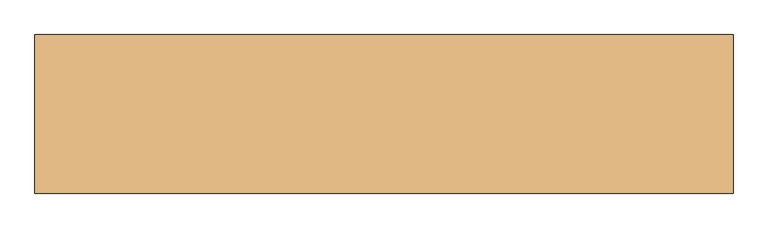
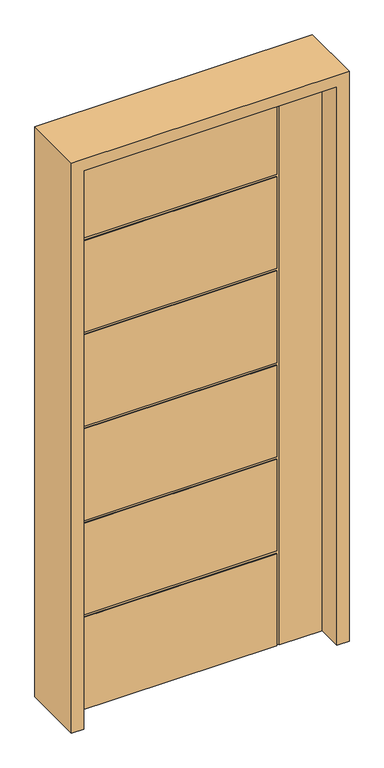
"""IFC4 building model written with IfcOpenShell, lengths in millimetres: door geometry."""

from ifc_helpers import new_model, si_unit, frame, origin, place, context, project, spatial, polyline, outline, extrude, faceted_brep, source, transform, mapped, element, save


def door_e4bec84e(model_context):
    return source(origin(), model_context, "Body", "SolidModel", [
        faceted_brep([(-457.2, -22.225, 0.0), (-457.2, 22.225, 0.0), (293.624, 22.225, 0.0), (293.624, 18.923, 0.0), (303.53, 18.923, 0.0), (303.53, 22.225, 0.0), (457.2, 22.225, 0.0), (457.2, -22.225, 0.0), (303.53, -22.225, 0.0), (303.53, -19.05, 0.0), (293.624, -19.05, 0.0), (293.624, -22.225, 0.0), (-457.2, -22.225, 2133.6), (-457.2, 22.225, 2133.6), (-457.2, 22.225, 1801.368), (-457.2, 18.923, 1801.368), (-457.2, 18.923, 1791.462), (-457.2, 22.225, 1791.462), (-457.2, 22.225, 1441.45), (-457.2, 18.923, 1441.45), (-457.2, 18.923, 1431.544), (-457.2, 22.225, 1431.544), (-457.2, 22.225, 1081.532), (-457.2, 18.923, 1081.532), (-457.2, 18.923, 1071.626), (-457.2, 22.225, 1071.626), (-457.2, 22.225, 721.614), (-457.2, 18.923, 721.614), (-457.2, 18.923, 711.708), (-457.2, 22.225, 711.708), (-457.2, 22.225, 361.696), (-457.2, 18.923, 361.696), (-457.2, 18.923, 351.79), (-457.2, 22.225, 351.79), (-457.2, -22.225, 351.79), (-457.2, -19.05, 351.79), (-457.2, -19.05, 361.696), (-457.2, -22.225, 361.696), (-457.2, -22.225, 711.708), (-457.2, -19.05, 711.708), (-457.2, -19.05, 721.614), (-457.2, -22.225, 721.614), (-457.2, -22.225, 1071.626), (-457.2, -19.05, 1071.626), (-457.2, -19.05, 1081.532), (-457.2, -22.225, 1081.532), (-457.2, -22.225, 1431.544), (-457.2, -19.05, 1431.544), (-457.2, -19.05, 1441.45), (-457.2, -22.225, 1441.45), (-457.2, -22.225, 1791.462), (-457.2, -19.05, 1791.462), (-457.2, -19.05, 1801.368), (-457.2, -22.225, 1801.368), (293.624, 22.225, 351.79), (293.624, 22.225, 1791.462), (293.624, 22.225, 1441.45), (293.624, 22.225, 1431.544), (293.624, 22.225, 1081.532), (293.624, 22.225, 1071.626), (293.624, 22.225, 721.614), (293.624, 22.225, 711.708), (293.624, 22.225, 361.696), (457.2, 22.225, 2133.6), (303.53, 22.225, 2133.6), (293.624, 22.225, 2133.6), (293.624, 22.225, 1801.368), (293.624, 18.923, 351.79), (293.624, 18.923, 361.696), (293.624, 18.923, 711.708), (293.624, 18.923, 721.614), (293.624, 18.923, 1071.626), (293.624, 18.923, 1081.532), (293.624, 18.923, 1431.544), (293.624, 18.923, 1441.45), (293.624, 18.923, 1791.462), (293.624, 18.923, 1801.368), (293.624, 18.923, 2133.6), (303.53, 18.923, 2133.6), (457.2, -22.225, 2133.6), (293.624, -22.225, 351.79), (303.53, -22.225, 2133.6), (293.624, -22.225, 361.696), (293.624, -22.225, 711.708), (293.624, -22.225, 721.614), (293.624, -22.225, 1071.626), (293.624, -22.225, 1081.532), (293.624, -22.225, 1431.544), (293.624, -22.225, 1441.45), (293.624, -22.225, 1791.462), (293.624, -22.225, 2133.6), (293.624, -22.225, 1801.368), (293.624, -19.05, 2133.6), (303.53, -19.05, 2133.6), (293.624, -19.05, 361.696), (293.624, -19.05, 351.79), (293.624, -19.05, 1801.368), (293.624, -19.05, 1791.462), (293.624, -19.05, 1441.45), (293.624, -19.05, 1431.544), (293.624, -19.05, 1081.532), (293.624, -19.05, 1071.626), (293.624, -19.05, 721.614), (293.624, -19.05, 711.708)], [[[0, 1, 2, 3, 4, 5, 6, 7, 8, 9, 10, 11]], [[12, 13, 14, 15, 16, 17, 18, 19, 20, 21, 22, 23, 24, 25, 26, 27, 28, 29, 30, 31, 32, 33, 1, 0, 34, 35, 36, 37, 38, 39, 40, 41, 42, 43, 44, 45, 46, 47, 48, 49, 50, 51, 52, 53]], [[2, 1, 33, 54]], [[18, 17, 55, 56]], [[22, 21, 57, 58]], [[26, 25, 59, 60]], [[30, 29, 61, 62]], [[63, 6, 5, 64]], [[13, 65, 66, 14]], [[67, 3, 2, 54]], [[68, 69, 28, 27, 70, 71, 24, 23, 72, 73, 20, 19, 74, 75, 16, 15, 76, 77, 78, 4, 3, 67, 32, 31]], [[4, 78, 64, 5]], [[63, 79, 7, 6]], [[0, 11, 80, 34]], [[7, 79, 81, 8]], [[38, 37, 82, 83]], [[42, 41, 84, 85]], [[46, 45, 86, 87]], [[50, 49, 88, 89]], [[90, 12, 53, 91]], [[32, 67, 54, 33]], [[28, 69, 61, 29]], [[69, 68, 62, 61]], [[68, 31, 30, 62]], [[24, 71, 59, 25]], [[71, 70, 60, 59]], [[70, 27, 26, 60]], [[73, 72, 58, 57]], [[72, 23, 22, 58]], [[79, 63, 64, 78, 77, 65, 13, 12, 90, 92, 93, 81]], [[20, 73, 57, 21]], [[74, 19, 18, 56]], [[75, 74, 56, 55]], [[16, 75, 55, 17]], [[76, 15, 14, 66]], [[77, 76, 66, 65]], [[93, 9, 8, 81]], [[94, 36, 35, 95, 10, 9, 93, 92, 96, 52, 51, 97, 98, 48, 47, 99, 100, 44, 43, 101, 102, 40, 39, 103]], [[10, 95, 80, 11]], [[95, 35, 34, 80]], [[36, 94, 82, 37]], [[94, 103, 83, 82]], [[103, 39, 38, 83]], [[40, 102, 84, 41]], [[102, 101, 85, 84]], [[101, 43, 42, 85]], [[44, 100, 86, 45]], [[100, 99, 87, 86]], [[99, 47, 46, 87]], [[48, 98, 88, 49]], [[98, 97, 89, 88]], [[97, 51, 50, 89]], [[52, 96, 91, 53]], [[96, 92, 90, 91]]]),
        extrude(outline(polyline([(0.0, -501.65), (0.0, -457.2), (2133.6, -457.2), (2133.6, 457.2), (0.0, 457.2), (0.0, 501.65), (2178.05, 501.65), (2178.05, -501.65), (0.0, -501.65)])), frame((0.0, -114.3, 0.0), z_axis=(0.0, 1.0, 0.0), x_axis=(0.0, 0.0, 1.0)), (0.0, 0.0, 1.0), 228.6),
    ])


if __name__ == "__main__":
    model = new_model("IFC4")
    model_context = context("Model", 3, world=origin())
    ifc_project = project(units=[si_unit("LENGTHUNIT", "METRE", prefix="MILLI")], contexts=[model_context])
    site = spatial("IfcSite", under=ifc_project)
    building = spatial("IfcBuilding", under=site)
    placement = place(None, origin())
    door_shape = door_e4bec84e(model_context)
    element("IfcDoor", 1, at=placement, inside=building, context=model_context, shape_type="MappedRepresentation", body=[
        mapped(door_shape, transform((0.0, 0.0, 0.0), x_axis=(1.0, 0.0, 0.0), y_axis=(0.0, 1.0, 0.0), z_axis=(0.0, 0.0, 1.0))),
    ])
    save(model, "model.ifc")
